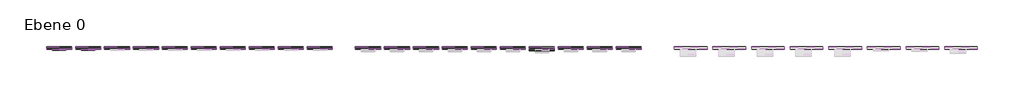
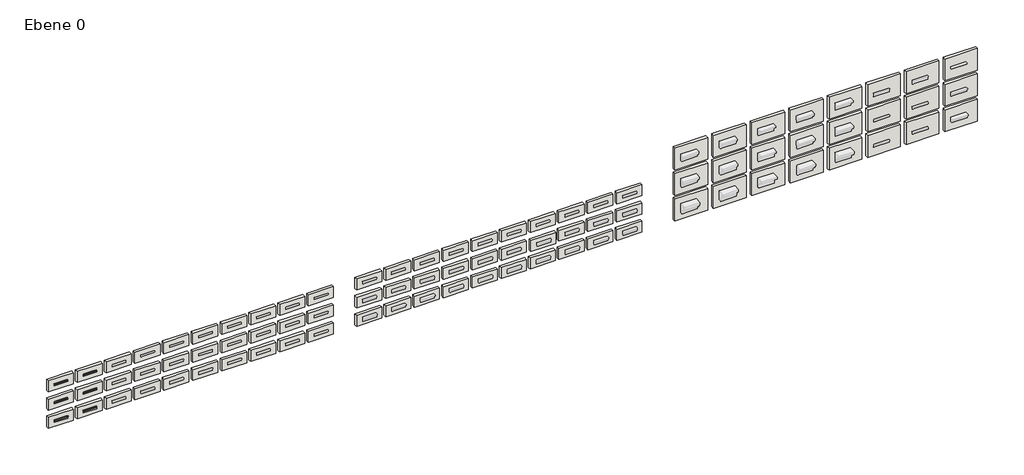
# One storey, part 1 of 3: 84 walls, 6 proxies.
"""IFC4 building model written with IfcOpenShell, lengths in millimetres."""

import ifcopenshell
import ifcopenshell.guid

model = None  # the IFC model being written
_history = None  # IfcOwnerHistory: only IFC2X3 demands one
_inside = {}  # id of a spatial element -> (the spatial element, [elements in it])
_under = {}  # id of a project, library or spatial element -> (it, [spatial elements below it])
_declared = {}  # id of a project -> (the project, [libraries it declares])
_typed = {}  # id of a type object -> (the type object, [elements of that type])
_made_of = {}  # id of a material, layer set ... -> (it, [elements and type objects made of it])


def new_model(schema):
    """Start an empty IFC model of exactly this schema.

    Asked for "IFC4X3", IfcOpenShell would pick the latest addendum, in which some entities
    have other attributes; the version numbers below select the first issue.
    IFC2X3 requires an IfcOwnerHistory on every rooted entity: one is made here for all.
    """
    global model, _history
    if schema == "IFC4X3":
        model = ifcopenshell.file(schema_version=(4, 3, 0, 0))
    else:
        model = ifcopenshell.file(schema=schema)
    _inside.clear()
    _under.clear()
    _declared.clear()
    _typed.clear()
    _made_of.clear()
    _history = None
    if model.schema == "IFC2X3":
        org = make("IfcOrganization", Name="unknown")
        user = make(
            "IfcPersonAndOrganization",
            ThePerson=make("IfcPerson", FamilyName="unknown"),
            TheOrganization=org,
        )
        app = make(
            "IfcApplication",
            ApplicationDeveloper=org,
            Version="unknown",
            ApplicationFullName="unknown",
            ApplicationIdentifier="unknown",
        )
        _history = make(
            "IfcOwnerHistory",
            OwningUser=user,
            OwningApplication=app,
            ChangeAction="ADDED",
            CreationDate=0,
        )
    return model


def make(cls, **values):
    """One entity of the class cls with the attributes given. An attribute that is None is left unset."""
    return model.create_entity(
        cls, **{name: value for name, value in values.items() if value is not None}
    )


def rooted(cls, **values):
    """An entity with a GlobalId (a new one), such as an element, a storey or a relation."""
    return make(cls, GlobalId=ifcopenshell.guid.new(), OwnerHistory=_history, **values)


def si_unit(unit_type, name, prefix=None):
    """IfcSIUnit, for example si_unit("LENGTHUNIT", "METRE", prefix="MILLI")."""
    return make("IfcSIUnit", UnitType=unit_type, Prefix=prefix, Name=name)


def assignment(units):
    """IfcUnitAssignment: the units of a project."""
    return None if units is None else make("IfcUnitAssignment", Units=units)


def point(xyz):
    """IfcCartesianPoint."""
    return None if xyz is None else make("IfcCartesianPoint", Coordinates=xyz)


def direction(xyz):
    """IfcDirection."""
    return None if xyz is None else make("IfcDirection", DirectionRatios=xyz)


def frame(location, z_axis=None, x_axis=None):
    """IfcAxis2Placement3D, a coordinate frame: its origin and axes. An axis left out is left unset."""
    return make(
        "IfcAxis2Placement3D",
        Location=point(location),
        Axis=direction(z_axis),
        RefDirection=direction(x_axis),
    )


def frame_2d(location, x_axis=None):
    """IfcAxis2Placement2D, a coordinate frame in the plane: its origin and x axis."""
    return make(
        "IfcAxis2Placement2D", Location=point(location), RefDirection=direction(x_axis)
    )


def origin():
    """The frame at (0, 0, 0) with its axes left unset."""
    return frame((0.0, 0.0, 0.0))


def place(relative_to, where):
    """IfcLocalPlacement: puts the frame where relative to a parent placement (None: the world)."""
    return make(
        "IfcLocalPlacement", PlacementRelTo=relative_to, RelativePlacement=where
    )


def context(
    kind, dimensions, precision=None, world=None, true_north=None, identifier=None
):
    """IfcGeometricRepresentationContext, for example the 3D "Model" context."""
    return make(
        "IfcGeometricRepresentationContext",
        ContextIdentifier=identifier,
        ContextType=kind,
        CoordinateSpaceDimension=dimensions,
        Precision=precision,
        WorldCoordinateSystem=world,
        TrueNorth=true_north,
    )


def project(units=None, contexts=None):
    """IfcProject with its units and contexts."""
    return rooted(
        "IfcProject",
        Name="project",
        RepresentationContexts=contexts,
        UnitsInContext=assignment(units),
    )


def spatial(cls, under=None, at=None, **own):
    """A site, building, storey or space (cls), placed at a placement, below another one or the project."""
    s = rooted(cls, ObjectPlacement=at, **own)
    if under is not None:
        _under.setdefault(under.id(), (under, []))[1].append(s)
    return s


def polyline(points):
    """IfcPolyline through the points."""
    return make("IfcPolyline", Points=[point(p) for p in points])


def circle_curve(where, radius):
    """IfcCircle in the frame where."""
    return make("IfcCircle", Position=where, Radius=radius)


def trimmed(basis, trim1, trim2, sense, master):
    """IfcTrimmedCurve: the piece of a basis curve between two trims."""
    return make(
        "IfcTrimmedCurve",
        BasisCurve=basis,
        Trim1=trim1,
        Trim2=trim2,
        SenseAgreement=sense,
        MasterRepresentation=master,
    )


def segment(curve, same_sense, transition):
    """IfcCompositeCurveSegment."""
    return make(
        "IfcCompositeCurveSegment",
        Transition=transition,
        SameSense=same_sense,
        ParentCurve=curve,
    )


def composite_curve(segments, self_intersect=None):
    """IfcCompositeCurve: segments joined end to end."""
    return make("IfcCompositeCurve", Segments=segments, SelfIntersect=self_intersect)


def outline(outer, holes=None, kind="AREA"):
    """IfcArbitraryClosedProfileDef: a profile drawn as a closed curve; with holes, ...WithVoids."""
    if holes is None:
        return make("IfcArbitraryClosedProfileDef", ProfileType=kind, OuterCurve=outer)
    return make(
        "IfcArbitraryProfileDefWithVoids",
        ProfileType=kind,
        OuterCurve=outer,
        InnerCurves=holes,
    )


def extrude(swept, where, along, depth):
    """IfcExtrudedAreaSolid: the profile swept, set in the frame where, extruded along a direction by depth."""
    return make(
        "IfcExtrudedAreaSolid",
        SweptArea=swept,
        Position=where,
        ExtrudedDirection=direction(along),
        Depth=depth,
    )


def shape(context_of_items, identifier, shape_type, items):
    """IfcShapeRepresentation: the items that make up one representation, for example the "Body"."""
    return make(
        "IfcShapeRepresentation",
        ContextOfItems=context_of_items,
        RepresentationIdentifier=identifier,
        RepresentationType=shape_type,
        Items=items,
    )


def made_of(thing, what):
    """Note that an element or type object is made of a material, layer set ...; save() writes the relation."""
    if what is not None:
        _made_of.setdefault(what.id(), (what, []))[1].append(thing)
    return thing


def element(
    cls,
    number,
    at=None,
    inside=None,
    cuts=None,
    type_object=None,
    material=None,
    context=None,
    identifier="Body",
    shape_type=None,
    held_by="IfcProductDefinitionShape",
    body=None,
    shapes=None,
    **own,
):
    """One element of the class cls, such as IfcWall. Its Tag is "e" and its number.

    at: its placement. inside: the storey or other place that contains it. cuts: it is an
    opening in that element (IfcRelVoidsElement). A single representation is given by context,
    identifier, shape_type and body (its items); several are given by shapes. held_by: the class
    of the entity that holds the representations. save() writes the other relations.
    """
    e = rooted(cls, Tag="e%d" % number, ObjectPlacement=at, **own)
    if body is not None:
        shapes = [shape(context, identifier, shape_type, body)]
    if shapes is not None:
        e.Representation = make(held_by, Representations=shapes)
    if inside is not None:
        _inside.setdefault(inside.id(), (inside, []))[1].append(e)
    if cuts is not None:
        rooted(
            "IfcRelVoidsElement", RelatingBuildingElement=cuts, RelatedOpeningElement=e
        )
    if type_object is not None:
        _typed.setdefault(type_object.id(), (type_object, []))[1].append(e)
    return made_of(e, material)


def aggregate(whole, parts):
    """IfcRelAggregates: a whole, such as a stair, and the parts it consists of."""
    return rooted("IfcRelAggregates", RelatingObject=whole, RelatedObjects=parts)


def save(model, path):
    """Write the relations noted so far, then the file.

    IfcRelAggregates (storeys below a building ...), IfcRelContainedInSpatialStructure (elements
    in a storey), IfcRelDefinesByType, IfcRelAssociatesMaterial and IfcRelDeclares: one each for
    every whole, place, type object, material and project.
    """
    for whole, parts in _under.values():
        aggregate(whole, parts)
    for where, things in _inside.values():
        rooted(
            "IfcRelContainedInSpatialStructure",
            RelatedElements=things,
            RelatingStructure=where,
        )
    for kind, things in _typed.values():
        rooted("IfcRelDefinesByType", RelatedObjects=things, RelatingType=kind)
    for what, things in _made_of.values():
        rooted("IfcRelAssociatesMaterial", RelatedObjects=things, RelatingMaterial=what)
    for by, libraries in _declared.values():
        rooted("IfcRelDeclares", RelatingContext=by, RelatedDefinitions=libraries)
    model.write(path)


model = new_model("IFC4")

# Units and contexts
model_context = context("Model", 3, world=origin())
ifc_project = project(units=[si_unit("LENGTHUNIT", "METRE", prefix="MILLI")], contexts=[model_context])

# Site, building, storey
site = spatial("IfcSite", under=ifc_project)
building = spatial("IfcBuilding", under=site)
storey = spatial("IfcBuildingStorey", under=building, Name="Ebene 0", Elevation=0.0)

# Proxies
placement = place(None, origin())
element("IfcBuildingElementProxy", 1, Name="Wall Sweeps", at=placement, inside=storey, context=model_context, shape_type="SweptSolid", body=[
    extrude(outline(composite_curve([segment(polyline([(665.4435816, 2194.9999994), (705.4435816, 2199.9999994), (705.4435816, 2100.0), (685.4435816, 2100.0), (685.4435816, 2149.9999996)]), True, "CONTINUOUS"), segment(trimmed(circle_curve(frame_2d((685.4435818, 2164.9999996)), 15.0), [point((685.4435816, 2149.9999996))], [point((670.4435818, 2164.9999996))], False, "CARTESIAN"), True, "CONTINUOUS"), segment(polyline([(670.4435818, 2164.9999996), (665.4435816, 2164.9999996), (665.4435816, 2194.9999994)]), True, "CONTINUOUS")], self_intersect=False)), frame((-24412.2665859, 0.0, 0.0), z_axis=(1.0, 0.0, 0.0), x_axis=(0.0, 1.0, 0.0)), (0.0, 0.0, 1.0), 700.0),
])
element("IfcBuildingElementProxy", 2, Name="Wall Sweeps", at=placement, inside=storey, context=model_context, shape_type="SweptSolid", body=[
    extrude(outline(composite_curve([segment(polyline([(665.4435816, 1215.0), (705.4435816, 1220.0), (705.4435816, 1100.0), (685.4435816, 1100.0), (685.4435816, 1160.0)]), True, "CONTINUOUS"), segment(trimmed(circle_curve(frame_2d((685.4435816, 1175.0)), 15.0), [point((685.4435816, 1160.0))], [point((670.4435816, 1175.0))], False, "CARTESIAN"), True, "CONTINUOUS"), segment(polyline([(670.4435816, 1175.0), (665.4435816, 1175.0), (665.4435816, 1215.0)]), True, "CONTINUOUS")], self_intersect=False)), frame((-24412.2665859, 0.0, 0.0), z_axis=(1.0, 0.0, 0.0), x_axis=(0.0, 1.0, 0.0)), (0.0, 0.0, 1.0), 700.0),
])
element("IfcBuildingElementProxy", 3, Name="Wall Sweeps", at=placement, inside=storey, context=model_context, shape_type="SweptSolid", body=[
    extrude(outline(composite_curve([segment(polyline([(655.4435816, 170.0), (655.4435816, 215.0), (705.4435816, 220.0), (705.4435816, 80.0), (680.4435816, 80.0), (680.4435816, 150.0)]), True, "CONTINUOUS"), segment(trimmed(circle_curve(frame_2d((680.4435816, 170.0)), 20.0), [point((680.4435816, 150.0))], [point((660.4435816, 170.0))], False, "CARTESIAN"), True, "CONTINUOUS"), segment(polyline([(660.4435816, 170.0), (655.4435816, 170.0)]), True, "CONTINUOUS")], self_intersect=False)), frame((-24412.2665859, 0.0, 0.0), z_axis=(1.0, 0.0, 0.0), x_axis=(0.0, 1.0, 0.0)), (0.0, 0.0, 1.0), 700.0),
])
element("IfcBuildingElementProxy", 4, Name="Wall Sweeps", at=placement, inside=storey, context=model_context, shape_type="SweptSolid", body=[
    extrude(outline(composite_curve([segment(polyline([(705.4435816, 2200.0), (705.4435816, 2100.0), (685.4435816, 2100.0), (685.4435816, 2140.0)]), True, "CONTINUOUS"), segment(trimmed(circle_curve(frame_2d((675.4435816, 2140.0)), 10.0), [point((685.4435816, 2140.0))], [point((675.4435816, 2150.0))], True, "CARTESIAN"), True, "CONTINUOUS"), segment(polyline([(675.4435816, 2150.0), (675.4435816, 2160.0)]), True, "CONTINUOUS"), segment(trimmed(circle_curve(frame_2d((675.4435816, 2170.0)), 10.0), [point((675.4435816, 2160.0))], [point((665.4435816, 2170.0))], False, "CARTESIAN"), True, "CONTINUOUS"), segment(polyline([(665.4435816, 2170.0), (665.4435816, 2195.0), (705.4435816, 2200.0)]), True, "CONTINUOUS")], self_intersect=False)), frame((-22912.2665859, 0.0, 0.0), z_axis=(1.0, 0.0, 0.0), x_axis=(0.0, 1.0, 0.0)), (0.0, 0.0, 1.0), 700.0),
])
element("IfcBuildingElementProxy", 5, Name="Wall Sweeps", at=placement, inside=storey, context=model_context, shape_type="SweptSolid", body=[
    extrude(outline(composite_curve([segment(polyline([(705.4435816, 1220.0), (705.4435816, 1100.0), (685.4435816, 1100.0), (685.4435816, 1150.0)]), True, "CONTINUOUS"), segment(trimmed(circle_curve(frame_2d((675.4435816, 1150.0)), 10.0), [point((685.4435816, 1150.0))], [point((675.4435816, 1160.0))], True, "CARTESIAN"), True, "CONTINUOUS"), segment(polyline([(675.4435816, 1160.0), (675.4435816, 1175.0)]), True, "CONTINUOUS"), segment(trimmed(circle_curve(frame_2d((675.4435816, 1185.0)), 10.0), [point((675.4435816, 1175.0))], [point((665.4435816, 1185.0))], False, "CARTESIAN"), True, "CONTINUOUS"), segment(polyline([(665.4435816, 1185.0), (665.4435816, 1215.0), (705.4435816, 1220.0)]), True, "CONTINUOUS")], self_intersect=False)), frame((-22912.2665859, 0.0, 0.0), z_axis=(1.0, 0.0, 0.0), x_axis=(0.0, 1.0, 0.0)), (0.0, 0.0, 1.0), 700.0),
])
element("IfcBuildingElementProxy", 6, Name="Wall Sweeps", at=placement, inside=storey, context=model_context, shape_type="SweptSolid", body=[
    extrude(outline(composite_curve([segment(polyline([(655.4435816, 215.0), (705.4435816, 220.0), (705.4435816, 80.0), (675.4435816, 80.0), (675.4435816, 145.0)]), True, "CONTINUOUS"), segment(trimmed(circle_curve(frame_2d((665.4435816, 145.0)), 10.0), [point((675.4435816, 145.0))], [point((665.4435816, 155.0))], True, "CARTESIAN"), True, "CONTINUOUS"), segment(polyline([(665.4435816, 155.0), (665.4435816, 170.0)]), True, "CONTINUOUS"), segment(trimmed(circle_curve(frame_2d((665.4435816, 180.0)), 10.0), [point((665.4435816, 170.0))], [point((655.4435816, 180.0))], False, "CARTESIAN"), True, "CONTINUOUS"), segment(polyline([(655.4435816, 180.0), (655.4435816, 215.0)]), True, "CONTINUOUS")], self_intersect=False)), frame((-22912.2665859, 0.0, 0.0), z_axis=(1.0, 0.0, 0.0), x_axis=(0.0, 1.0, 0.0)), (0.0, 0.0, 1.0), 700.0),
])

# Walls
element("IfcWall", 7, at=placement, inside=storey, context=model_context, shape_type="SweptSolid", body=[
    extrude(outline(polyline([(-23412.2665859, 705.4435816), (-24712.2665859, 705.4435816), (-24712.2665859, 855.4435816), (-23412.2665859, 855.4435816), (-23412.2665859, 705.4435816)])), frame((0.0, 0.0, 848.8266332), z_axis=(0.0, 0.0, 1.0), x_axis=(1.0, 0.0, 0.0)), (0.0, 0.0, 1.0), 600.0),
])
element("IfcWall", 8, at=placement, inside=storey, context=model_context, shape_type="SweptSolid", body=[
    extrude(outline(polyline([(-23412.2665859, 705.4435816), (-24712.2665859, 705.4435816), (-24712.2665859, 855.4435816), (-23412.2665859, 855.4435816), (-23412.2665859, 705.4435816)])), frame((0.0, 0.0, 1848.8273617), z_axis=(0.0, 0.0, 1.0), x_axis=(1.0, 0.0, 0.0)), (0.0, 0.0, 1.0), 599.9992715),
])
element("IfcWall", 9, at=placement, inside=storey, context=model_context, shape_type="SweptSolid", body=[
    extrude(outline(polyline([(-21912.2665859, 705.4435816), (-23212.2665859, 705.4435816), (-23212.2665859, 855.4435816), (-21912.2665859, 855.4435816), (-21912.2665859, 705.4435816)])), frame((0.0, 0.0, -151.1733668), z_axis=(0.0, 0.0, 1.0), x_axis=(1.0, 0.0, 0.0)), (0.0, 0.0, 1.0), 600.0),
])
element("IfcWall", 10, at=placement, inside=storey, context=model_context, shape_type="SweptSolid", body=[
    extrude(outline(polyline([(-21912.2665859, 705.4435816), (-23212.2665859, 705.4435816), (-23212.2665859, 855.4435816), (-21912.2665859, 855.4435816), (-21912.2665859, 705.4435816)])), frame((0.0, 0.0, 848.8266332), z_axis=(0.0, 0.0, 1.0), x_axis=(1.0, 0.0, 0.0)), (0.0, 0.0, 1.0), 600.0),
])
element("IfcWall", 11, at=placement, inside=storey, context=model_context, shape_type="SweptSolid", body=[
    extrude(outline(polyline([(-21912.2665859, 705.4435816), (-23212.2665859, 705.4435816), (-23212.2665859, 855.4435816), (-21912.2665859, 855.4435816), (-21912.2665859, 705.4435816)])), frame((0.0, 0.0, 1848.8266332), z_axis=(0.0, 0.0, 1.0), x_axis=(1.0, 0.0, 0.0)), (0.0, 0.0, 1.0), 600.0),
])
element("IfcWall", 12, at=placement, inside=storey, context=model_context, shape_type="SweptSolid", body=[
    extrude(outline(polyline([(-20412.2665859, 705.4435816), (-21712.2665859, 705.4435816), (-21712.2665859, 855.4435816), (-20412.2665859, 855.4435816), (-20412.2665859, 705.4435816)])), frame((0.0, 0.0, -151.1733668), z_axis=(0.0, 0.0, 1.0), x_axis=(1.0, 0.0, 0.0)), (0.0, 0.0, 1.0), 600.0),
])
element("IfcWall", 13, at=placement, inside=storey, context=model_context, shape_type="SweptSolid", body=[
    extrude(outline(polyline([(-20412.2665859, 705.4435816), (-21712.2665859, 705.4435816), (-21712.2665859, 855.4435816), (-20412.2665859, 855.4435816), (-20412.2665859, 705.4435816)])), frame((0.0, 0.0, 848.8266332), z_axis=(0.0, 0.0, 1.0), x_axis=(1.0, 0.0, 0.0)), (0.0, 0.0, 1.0), 600.0),
])
element("IfcWall", 14, at=placement, inside=storey, context=model_context, shape_type="SweptSolid", body=[
    extrude(outline(polyline([(-20412.2665859, 705.4435816), (-21712.2665859, 705.4435816), (-21712.2665859, 855.4435816), (-20412.2665859, 855.4435816), (-20412.2665859, 705.4435816)])), frame((0.0, 0.0, 1848.8266332), z_axis=(0.0, 0.0, 1.0), x_axis=(1.0, 0.0, 0.0)), (0.0, 0.0, 1.0), 600.0),
])
element("IfcWall", 15, at=placement, inside=storey, context=model_context, shape_type="SweptSolid", body=[
    extrude(outline(polyline([(-18912.2665859, 705.4435816), (-20212.2665859, 705.4435816), (-20212.2665859, 855.4435816), (-18912.2665859, 855.4435816), (-18912.2665859, 705.4435816)])), frame((0.0, 0.0, -151.1733668), z_axis=(0.0, 0.0, 1.0), x_axis=(1.0, 0.0, 0.0)), (0.0, 0.0, 1.0), 600.0),
])
element("IfcWall", 16, at=placement, inside=storey, context=model_context, shape_type="SweptSolid", body=[
    extrude(outline(polyline([(-18912.2665859, 705.4435816), (-20212.2665859, 705.4435816), (-20212.2665859, 855.4435816), (-18912.2665859, 855.4435816), (-18912.2665859, 705.4435816)])), frame((0.0, 0.0, 848.8266332), z_axis=(0.0, 0.0, 1.0), x_axis=(1.0, 0.0, 0.0)), (0.0, 0.0, 1.0), 600.0),
])
element("IfcWall", 17, at=placement, inside=storey, context=model_context, shape_type="SweptSolid", body=[
    extrude(outline(polyline([(-18912.2665859, 705.4435816), (-20212.2665859, 705.4435816), (-20212.2665859, 855.4435816), (-18912.2665859, 855.4435816), (-18912.2665859, 705.4435816)])), frame((0.0, 0.0, 1848.8266332), z_axis=(0.0, 0.0, 1.0), x_axis=(1.0, 0.0, 0.0)), (0.0, 0.0, 1.0), 600.0),
])
element("IfcWall", 18, at=placement, inside=storey, context=model_context, shape_type="SweptSolid", body=[
    extrude(outline(polyline([(-17412.2665859, 705.4435816), (-18712.2665859, 705.4435816), (-18712.2665859, 855.4435816), (-17412.2665859, 855.4435816), (-17412.2665859, 705.4435816)])), frame((0.0, 0.0, -151.1733668), z_axis=(0.0, 0.0, 1.0), x_axis=(1.0, 0.0, 0.0)), (0.0, 0.0, 1.0), 600.0),
])
element("IfcWall", 19, at=placement, inside=storey, context=model_context, shape_type="SweptSolid", body=[
    extrude(outline(polyline([(-17412.2665859, 705.4435816), (-18712.2665859, 705.4435816), (-18712.2665859, 855.4435816), (-17412.2665859, 855.4435816), (-17412.2665859, 705.4435816)])), frame((0.0, 0.0, 848.8266332), z_axis=(0.0, 0.0, 1.0), x_axis=(1.0, 0.0, 0.0)), (0.0, 0.0, 1.0), 600.0),
])
element("IfcWall", 20, at=placement, inside=storey, context=model_context, shape_type="SweptSolid", body=[
    extrude(outline(polyline([(-17412.2665859, 705.4435816), (-18712.2665859, 705.4435816), (-18712.2665859, 855.4435816), (-17412.2665859, 855.4435816), (-17412.2665859, 705.4435816)])), frame((0.0, 0.0, 1848.8266332), z_axis=(0.0, 0.0, 1.0), x_axis=(1.0, 0.0, 0.0)), (0.0, 0.0, 1.0), 600.0),
])
element("IfcWall", 21, at=placement, inside=storey, context=model_context, shape_type="SweptSolid", body=[
    extrude(outline(polyline([(-15912.2665859, 705.4435816), (-17212.2665859, 705.4435816), (-17212.2665859, 855.4435816), (-15912.2665859, 855.4435816), (-15912.2665859, 705.4435816)])), frame((0.0, 0.0, -151.1733668), z_axis=(0.0, 0.0, 1.0), x_axis=(1.0, 0.0, 0.0)), (0.0, 0.0, 1.0), 600.0),
])
element("IfcWall", 22, at=placement, inside=storey, context=model_context, shape_type="SweptSolid", body=[
    extrude(outline(polyline([(-15912.2665859, 705.4435816), (-17212.2665859, 705.4435816), (-17212.2665859, 855.4435816), (-15912.2665859, 855.4435816), (-15912.2665859, 705.4435816)])), frame((0.0, 0.0, 848.8266332), z_axis=(0.0, 0.0, 1.0), x_axis=(1.0, 0.0, 0.0)), (0.0, 0.0, 1.0), 600.0),
])
element("IfcWall", 23, at=placement, inside=storey, context=model_context, shape_type="SweptSolid", body=[
    extrude(outline(polyline([(-15912.2665859, 705.4435816), (-17212.2665859, 705.4435816), (-17212.2665859, 855.4435816), (-15912.2665859, 855.4435816), (-15912.2665859, 705.4435816)])), frame((0.0, 0.0, 1848.8266332), z_axis=(0.0, 0.0, 1.0), x_axis=(1.0, 0.0, 0.0)), (0.0, 0.0, 1.0), 600.0),
])
element("IfcWall", 24, at=placement, inside=storey, context=model_context, shape_type="SweptSolid", body=[
    extrude(outline(polyline([(-14412.2665859, 705.4435816), (-15712.2665859, 705.4435816), (-15712.2665859, 855.4435816), (-14412.2665859, 855.4435816), (-14412.2665859, 705.4435816)])), frame((0.0, 0.0, -151.1733668), z_axis=(0.0, 0.0, 1.0), x_axis=(1.0, 0.0, 0.0)), (0.0, 0.0, 1.0), 600.0),
])
element("IfcWall", 25, at=placement, inside=storey, context=model_context, shape_type="SweptSolid", body=[
    extrude(outline(polyline([(-14412.2665859, 705.4435816), (-15712.2665859, 705.4435816), (-15712.2665859, 855.4435816), (-14412.2665859, 855.4435816), (-14412.2665859, 705.4435816)])), frame((0.0, 0.0, 848.8266332), z_axis=(0.0, 0.0, 1.0), x_axis=(1.0, 0.0, 0.0)), (0.0, 0.0, 1.0), 600.0),
])
element("IfcWall", 26, at=placement, inside=storey, context=model_context, shape_type="SweptSolid", body=[
    extrude(outline(polyline([(-14412.2665859, 705.4435816), (-15712.2665859, 705.4435816), (-15712.2665859, 855.4435816), (-14412.2665859, 855.4435816), (-14412.2665859, 705.4435816)])), frame((0.0, 0.0, 1848.8266332), z_axis=(0.0, 0.0, 1.0), x_axis=(1.0, 0.0, 0.0)), (0.0, 0.0, 1.0), 600.0),
])
element("IfcWall", 27, at=placement, inside=storey, context=model_context, shape_type="SweptSolid", body=[
    extrude(outline(polyline([(-12912.2665859, 705.4435816), (-14212.2665859, 705.4435816), (-14212.2665859, 855.4435816), (-12912.2665859, 855.4435816), (-12912.2665859, 705.4435816)])), frame((0.0, 0.0, -151.1733668), z_axis=(0.0, 0.0, 1.0), x_axis=(1.0, 0.0, 0.0)), (0.0, 0.0, 1.0), 600.0),
])
element("IfcWall", 28, at=placement, inside=storey, context=model_context, shape_type="SweptSolid", body=[
    extrude(outline(polyline([(-12912.2665859, 705.4435816), (-14212.2665859, 705.4435816), (-14212.2665859, 855.4435816), (-12912.2665859, 855.4435816), (-12912.2665859, 705.4435816)])), frame((0.0, 0.0, 848.8266332), z_axis=(0.0, 0.0, 1.0), x_axis=(1.0, 0.0, 0.0)), (0.0, 0.0, 1.0), 600.0),
])
element("IfcWall", 29, at=placement, inside=storey, context=model_context, shape_type="SweptSolid", body=[
    extrude(outline(polyline([(-12912.2665859, 705.4435816), (-14212.2665859, 705.4435816), (-14212.2665859, 855.4435816), (-12912.2665859, 855.4435816), (-12912.2665859, 705.4435816)])), frame((0.0, 0.0, 1848.8266332), z_axis=(0.0, 0.0, 1.0), x_axis=(1.0, 0.0, 0.0)), (0.0, 0.0, 1.0), 600.0),
])
element("IfcWall", 30, at=placement, inside=storey, context=model_context, shape_type="SweptSolid", body=[
    extrude(outline(polyline([(-11412.2665859, 705.4435816), (-12712.2665859, 705.4435816), (-12712.2665859, 855.4435816), (-11412.2665859, 855.4435816), (-11412.2665859, 705.4435816)])), frame((0.0, 0.0, -151.1733668), z_axis=(0.0, 0.0, 1.0), x_axis=(1.0, 0.0, 0.0)), (0.0, 0.0, 1.0), 600.0),
])
element("IfcWall", 31, at=placement, inside=storey, context=model_context, shape_type="SweptSolid", body=[
    extrude(outline(polyline([(-11412.2665859, 705.4435816), (-12712.2665859, 705.4435816), (-12712.2665859, 855.4435816), (-11412.2665859, 855.4435816), (-11412.2665859, 705.4435816)])), frame((0.0, 0.0, 848.8266332), z_axis=(0.0, 0.0, 1.0), x_axis=(1.0, 0.0, 0.0)), (0.0, 0.0, 1.0), 600.0),
])
element("IfcWall", 32, at=placement, inside=storey, context=model_context, shape_type="SweptSolid", body=[
    extrude(outline(polyline([(-11412.2665859, 705.4435816), (-12712.2665859, 705.4435816), (-12712.2665859, 855.4435816), (-11412.2665859, 855.4435816), (-11412.2665859, 705.4435816)])), frame((0.0, 0.0, 1848.8266332), z_axis=(0.0, 0.0, 1.0), x_axis=(1.0, 0.0, 0.0)), (0.0, 0.0, 1.0), 600.0),
])
element("IfcWall", 33, at=placement, inside=storey, context=model_context, shape_type="SweptSolid", body=[
    extrude(outline(polyline([(-9912.2665859, 705.4435816), (-11212.2665859, 705.4435816), (-11212.2665859, 855.4435816), (-9912.2665859, 855.4435816), (-9912.2665859, 705.4435816)])), frame((0.0, 0.0, -151.1733668), z_axis=(0.0, 0.0, 1.0), x_axis=(1.0, 0.0, 0.0)), (0.0, 0.0, 1.0), 600.0),
])
element("IfcWall", 34, at=placement, inside=storey, context=model_context, shape_type="SweptSolid", body=[
    extrude(outline(polyline([(-9912.2665859, 705.4435816), (-11212.2665859, 705.4435816), (-11212.2665859, 855.4435816), (-9912.2665859, 855.4435816), (-9912.2665859, 705.4435816)])), frame((0.0, 0.0, 848.8266332), z_axis=(0.0, 0.0, 1.0), x_axis=(1.0, 0.0, 0.0)), (0.0, 0.0, 1.0), 600.0),
])
element("IfcWall", 35, at=placement, inside=storey, context=model_context, shape_type="SweptSolid", body=[
    extrude(outline(polyline([(-9912.2665859, 705.4435816), (-11212.2665859, 705.4435816), (-11212.2665859, 855.4435816), (-9912.2665859, 855.4435816), (-9912.2665859, 705.4435816)])), frame((0.0, 0.0, 1848.8266332), z_axis=(0.0, 0.0, 1.0), x_axis=(1.0, 0.0, 0.0)), (0.0, 0.0, 1.0), 600.0),
])
element("IfcWall", 36, at=placement, inside=storey, context=model_context, shape_type="SweptSolid", body=[
    extrude(outline(polyline([(-23412.2665859, 705.4435816), (-24712.2665859, 705.4435816), (-24712.2665859, 855.4435816), (-23412.2665859, 855.4435816), (-23412.2665859, 705.4435816)])), frame((0.0, 0.0, -151.1733668), z_axis=(0.0, 0.0, 1.0), x_axis=(1.0, 0.0, 0.0)), (0.0, 0.0, 1.0), 600.0),
])
element("IfcWall", 37, at=placement, inside=storey, context=model_context, shape_type="SweptSolid", body=[
    extrude(outline(polyline([(-7412.2665859, 705.4435816), (-8712.2665859, 705.4435816), (-8712.2665859, 855.4435816), (-7412.2665859, 855.4435816), (-7412.2665859, 705.4435816)])), frame((0.0, 0.0, 1848.8266332), z_axis=(0.0, 0.0, 1.0), x_axis=(1.0, 0.0, 0.0)), (0.0, 0.0, 1.0), 600.0),
])
element("IfcWall", 38, at=placement, inside=storey, context=model_context, shape_type="SweptSolid", body=[
    extrude(outline(polyline([(-5912.2665859, 705.4435816), (-7212.2665859, 705.4435816), (-7212.2665859, 855.4435816), (-5912.2665859, 855.4435816), (-5912.2665859, 705.4435816)])), frame((0.0, 0.0, 1848.8266332), z_axis=(0.0, 0.0, 1.0), x_axis=(1.0, 0.0, 0.0)), (0.0, 0.0, 1.0), 600.0),
])
element("IfcWall", 39, at=placement, inside=storey, context=model_context, shape_type="SweptSolid", body=[
    extrude(outline(polyline([(-4412.2665859, 705.4435816), (-5712.2665859, 705.4435816), (-5712.2665859, 855.4435816), (-4412.2665859, 855.4435816), (-4412.2665859, 705.4435816)])), frame((0.0, 0.0, 1848.8266332), z_axis=(0.0, 0.0, 1.0), x_axis=(1.0, 0.0, 0.0)), (0.0, 0.0, 1.0), 600.0),
])
element("IfcWall", 40, at=placement, inside=storey, context=model_context, shape_type="SweptSolid", body=[
    extrude(outline(polyline([(-2912.2665859, 705.4435816), (-4212.2665859, 705.4435816), (-4212.2665859, 855.4435816), (-2912.2665859, 855.4435816), (-2912.2665859, 705.4435816)])), frame((0.0, 0.0, 1848.8266332), z_axis=(0.0, 0.0, 1.0), x_axis=(1.0, 0.0, 0.0)), (0.0, 0.0, 1.0), 600.0),
])
element("IfcWall", 41, at=placement, inside=storey, context=model_context, shape_type="SweptSolid", body=[
    extrude(outline(polyline([(-1412.2665859, 705.4435816), (-2712.2665859, 705.4435816), (-2712.2665859, 855.4435816), (-1412.2665859, 855.4435816), (-1412.2665859, 705.4435816)])), frame((0.0, 0.0, 1848.8266332), z_axis=(0.0, 0.0, 1.0), x_axis=(1.0, 0.0, 0.0)), (0.0, 0.0, 1.0), 600.0),
])
element("IfcWall", 42, at=placement, inside=storey, context=model_context, shape_type="SweptSolid", body=[
    extrude(outline(polyline([(87.7334141, 705.4435816), (-1212.2665859, 705.4435816), (-1212.2665859, 855.4435816), (87.7334141, 855.4435816), (87.7334141, 705.4435816)])), frame((0.0, 0.0, 1848.8266332), z_axis=(0.0, 0.0, 1.0), x_axis=(1.0, 0.0, 0.0)), (0.0, 0.0, 1.0), 600.0),
])
element("IfcWall", 43, at=placement, inside=storey, context=model_context, shape_type="SweptSolid", body=[
    extrude(outline(polyline([(1587.7334141, 705.4435816), (287.7334141, 705.4435816), (287.7334141, 855.4435816), (1587.7334141, 855.4435816), (1587.7334141, 705.4435816)])), frame((0.0, 0.0, 1848.8266332), z_axis=(0.0, 0.0, 1.0), x_axis=(1.0, 0.0, 0.0)), (0.0, 0.0, 1.0), 600.0),
])
element("IfcWall", 44, at=placement, inside=storey, context=model_context, shape_type="SweptSolid", body=[
    extrude(outline(polyline([(3087.7334141, 705.4435816), (1787.7334141, 705.4435816), (1787.7334141, 855.4435816), (3087.7334141, 855.4435816), (3087.7334141, 705.4435816)])), frame((0.0, 0.0, 1848.8266332), z_axis=(0.0, 0.0, 1.0), x_axis=(1.0, 0.0, 0.0)), (0.0, 0.0, 1.0), 600.0),
])
element("IfcWall", 45, at=placement, inside=storey, context=model_context, shape_type="SweptSolid", body=[
    extrude(outline(polyline([(4587.7334141, 705.4435816), (3287.7334141, 705.4435816), (3287.7334141, 855.4435816), (4587.7334141, 855.4435816), (4587.7334141, 705.4435816)])), frame((0.0, 0.0, 1848.8266332), z_axis=(0.0, 0.0, 1.0), x_axis=(1.0, 0.0, 0.0)), (0.0, 0.0, 1.0), 600.0),
])
element("IfcWall", 46, at=placement, inside=storey, context=model_context, shape_type="SweptSolid", body=[
    extrude(outline(polyline([(6087.7334141, 705.4435816), (4787.7334141, 705.4435816), (4787.7334141, 855.4435816), (6087.7334141, 855.4435816), (6087.7334141, 705.4435816)])), frame((0.0, 0.0, 1848.8266332), z_axis=(0.0, 0.0, 1.0), x_axis=(1.0, 0.0, 0.0)), (0.0, 0.0, 1.0), 600.0),
])
element("IfcWall", 47, at=placement, inside=storey, context=model_context, shape_type="SweptSolid", body=[
    extrude(outline(polyline([(-7412.2665859, 705.4435816), (-8712.2665859, 705.4435816), (-8712.2665859, 855.4435816), (-7412.2665859, 855.4435816), (-7412.2665859, 705.4435816)])), frame((0.0, 0.0, 848.8266332), z_axis=(0.0, 0.0, 1.0), x_axis=(1.0, 0.0, 0.0)), (0.0, 0.0, 1.0), 600.0),
])
element("IfcWall", 48, at=placement, inside=storey, context=model_context, shape_type="SweptSolid", body=[
    extrude(outline(polyline([(-5912.2665859, 705.4435816), (-7212.2665859, 705.4435816), (-7212.2665859, 855.4435816), (-5912.2665859, 855.4435816), (-5912.2665859, 705.4435816)])), frame((0.0, 0.0, 848.8266332), z_axis=(0.0, 0.0, 1.0), x_axis=(1.0, 0.0, 0.0)), (0.0, 0.0, 1.0), 600.0),
])
element("IfcWall", 49, at=placement, inside=storey, context=model_context, shape_type="SweptSolid", body=[
    extrude(outline(polyline([(-4412.2665859, 705.4435816), (-5712.2665859, 705.4435816), (-5712.2665859, 855.4435816), (-4412.2665859, 855.4435816), (-4412.2665859, 705.4435816)])), frame((0.0, 0.0, 848.8266332), z_axis=(0.0, 0.0, 1.0), x_axis=(1.0, 0.0, 0.0)), (0.0, 0.0, 1.0), 600.0),
])
element("IfcWall", 50, at=placement, inside=storey, context=model_context, shape_type="SweptSolid", body=[
    extrude(outline(polyline([(-2912.2665859, 705.4435816), (-4212.2665859, 705.4435816), (-4212.2665859, 855.4435816), (-2912.2665859, 855.4435816), (-2912.2665859, 705.4435816)])), frame((0.0, 0.0, 848.8266332), z_axis=(0.0, 0.0, 1.0), x_axis=(1.0, 0.0, 0.0)), (0.0, 0.0, 1.0), 600.0),
])
element("IfcWall", 51, at=placement, inside=storey, context=model_context, shape_type="SweptSolid", body=[
    extrude(outline(polyline([(-1412.2665859, 705.4435816), (-2712.2665859, 705.4435816), (-2712.2665859, 855.4435816), (-1412.2665859, 855.4435816), (-1412.2665859, 705.4435816)])), frame((0.0, 0.0, 848.8266332), z_axis=(0.0, 0.0, 1.0), x_axis=(1.0, 0.0, 0.0)), (0.0, 0.0, 1.0), 600.0),
])
element("IfcWall", 52, at=placement, inside=storey, context=model_context, shape_type="SweptSolid", body=[
    extrude(outline(polyline([(87.7334141, 705.4435816), (-1212.2665859, 705.4435816), (-1212.2665859, 855.4435816), (87.7334141, 855.4435816), (87.7334141, 705.4435816)])), frame((0.0, 0.0, 848.8266332), z_axis=(0.0, 0.0, 1.0), x_axis=(1.0, 0.0, 0.0)), (0.0, 0.0, 1.0), 600.0),
])
element("IfcWall", 53, at=placement, inside=storey, context=model_context, shape_type="SweptSolid", body=[
    extrude(outline(polyline([(1587.7334141, 630.4435816), (287.7334141, 630.4435816), (287.7334141, 780.4435816), (1587.7334141, 780.4435816), (1587.7334141, 630.4435816)])), frame((0.0, 0.0, 848.8266332), z_axis=(0.0, 0.0, 1.0), x_axis=(1.0, 0.0, 0.0)), (0.0, 0.0, 1.0), 600.0),
])
element("IfcWall", 54, at=placement, inside=storey, context=model_context, shape_type="SweptSolid", body=[
    extrude(outline(polyline([(3087.7334141, 705.4435816), (1787.7334141, 705.4435816), (1787.7334141, 855.4435816), (3087.7334141, 855.4435816), (3087.7334141, 705.4435816)])), frame((0.0, 0.0, 848.8266332), z_axis=(0.0, 0.0, 1.0), x_axis=(1.0, 0.0, 0.0)), (0.0, 0.0, 1.0), 600.0),
])
element("IfcWall", 55, at=placement, inside=storey, context=model_context, shape_type="SweptSolid", body=[
    extrude(outline(polyline([(4587.7334141, 705.4435816), (3287.7334141, 705.4435816), (3287.7334141, 855.4435816), (4587.7334141, 855.4435816), (4587.7334141, 705.4435816)])), frame((0.0, 0.0, 848.8266332), z_axis=(0.0, 0.0, 1.0), x_axis=(1.0, 0.0, 0.0)), (0.0, 0.0, 1.0), 600.0),
])
element("IfcWall", 56, at=placement, inside=storey, context=model_context, shape_type="SweptSolid", body=[
    extrude(outline(polyline([(6087.7334141, 705.4435816), (4787.7334141, 705.4435816), (4787.7334141, 855.4435816), (6087.7334141, 855.4435816), (6087.7334141, 705.4435816)])), frame((0.0, 0.0, 848.8266332), z_axis=(0.0, 0.0, 1.0), x_axis=(1.0, 0.0, 0.0)), (0.0, 0.0, 1.0), 600.0),
])
element("IfcWall", 57, at=placement, inside=storey, context=model_context, shape_type="SweptSolid", body=[
    extrude(outline(polyline([(-7412.2665859, 705.4435816), (-8712.2665859, 705.4435816), (-8712.2665859, 855.4435816), (-7412.2665859, 855.4435816), (-7412.2665859, 705.4435816)])), frame((0.0, 0.0, -151.1733668), z_axis=(0.0, 0.0, 1.0), x_axis=(1.0, 0.0, 0.0)), (0.0, 0.0, 1.0), 600.0),
])
element("IfcWall", 58, at=placement, inside=storey, context=model_context, shape_type="SweptSolid", body=[
    extrude(outline(polyline([(-5912.2665859, 705.4435816), (-7212.2665859, 705.4435816), (-7212.2665859, 855.4435816), (-5912.2665859, 855.4435816), (-5912.2665859, 705.4435816)])), frame((0.0, 0.0, -151.1733668), z_axis=(0.0, 0.0, 1.0), x_axis=(1.0, 0.0, 0.0)), (0.0, 0.0, 1.0), 600.0),
])
element("IfcWall", 59, at=placement, inside=storey, context=model_context, shape_type="SweptSolid", body=[
    extrude(outline(polyline([(-4412.2665859, 705.4435816), (-5712.2665859, 705.4435816), (-5712.2665859, 855.4435816), (-4412.2665859, 855.4435816), (-4412.2665859, 705.4435816)])), frame((0.0, 0.0, -151.1733668), z_axis=(0.0, 0.0, 1.0), x_axis=(1.0, 0.0, 0.0)), (0.0, 0.0, 1.0), 600.0),
])
element("IfcWall", 60, at=placement, inside=storey, context=model_context, shape_type="SweptSolid", body=[
    extrude(outline(polyline([(-2912.2665859, 705.4435816), (-4212.2665859, 705.4435816), (-4212.2665859, 855.4435816), (-2912.2665859, 855.4435816), (-2912.2665859, 705.4435816)])), frame((0.0, 0.0, -151.1733668), z_axis=(0.0, 0.0, 1.0), x_axis=(1.0, 0.0, 0.0)), (0.0, 0.0, 1.0), 600.0),
])
element("IfcWall", 61, at=placement, inside=storey, context=model_context, shape_type="SweptSolid", body=[
    extrude(outline(polyline([(-1412.2665859, 705.4435816), (-2712.2665859, 705.4435816), (-2712.2665859, 855.4435816), (-1412.2665859, 855.4435816), (-1412.2665859, 705.4435816)])), frame((0.0, 0.0, -151.1733668), z_axis=(0.0, 0.0, 1.0), x_axis=(1.0, 0.0, 0.0)), (0.0, 0.0, 1.0), 600.0),
])
element("IfcWall", 62, at=placement, inside=storey, context=model_context, shape_type="SweptSolid", body=[
    extrude(outline(polyline([(87.7334141, 705.4435816), (-1212.2665859, 705.4435816), (-1212.2665859, 855.4435816), (87.7334141, 855.4435816), (87.7334141, 705.4435816)])), frame((0.0, 0.0, -151.1733668), z_axis=(0.0, 0.0, 1.0), x_axis=(1.0, 0.0, 0.0)), (0.0, 0.0, 1.0), 600.0),
])
element("IfcWall", 63, at=placement, inside=storey, context=model_context, shape_type="SweptSolid", body=[
    extrude(outline(polyline([(1587.7334141, 705.4435816), (287.7334141, 705.4435816), (287.7334141, 855.4435816), (1587.7334141, 855.4435816), (1587.7334141, 705.4435816)])), frame((0.0, 0.0, -151.1733668), z_axis=(0.0, 0.0, 1.0), x_axis=(1.0, 0.0, 0.0)), (0.0, 0.0, 1.0), 600.0),
])
element("IfcWall", 64, at=placement, inside=storey, context=model_context, shape_type="SweptSolid", body=[
    extrude(outline(polyline([(3087.7334141, 705.4435816), (1787.7334141, 705.4435816), (1787.7334141, 855.4435816), (3087.7334141, 855.4435816), (3087.7334141, 705.4435816)])), frame((0.0, 0.0, -151.1733668), z_axis=(0.0, 0.0, 1.0), x_axis=(1.0, 0.0, 0.0)), (0.0, 0.0, 1.0), 600.0),
])
element("IfcWall", 65, at=placement, inside=storey, context=model_context, shape_type="SweptSolid", body=[
    extrude(outline(polyline([(4587.7334141, 705.4435816), (3287.7334141, 705.4435816), (3287.7334141, 855.4435816), (4587.7334141, 855.4435816), (4587.7334141, 705.4435816)])), frame((0.0, 0.0, -151.1733668), z_axis=(0.0, 0.0, 1.0), x_axis=(1.0, 0.0, 0.0)), (0.0, 0.0, 1.0), 600.0),
])
element("IfcWall", 66, at=placement, inside=storey, context=model_context, shape_type="SweptSolid", body=[
    extrude(outline(polyline([(6087.7334141, 705.4435816), (4787.7334141, 705.4435816), (4787.7334141, 855.4435816), (6087.7334141, 855.4435816), (6087.7334141, 705.4435816)])), frame((0.0, 0.0, -151.1733668), z_axis=(0.0, 0.0, 1.0), x_axis=(1.0, 0.0, 0.0)), (0.0, 0.0, 1.0), 600.0),
])
element("IfcWall", 67, at=placement, inside=storey, context=model_context, shape_type="SweptSolid", body=[
    extrude(outline(polyline([(9499.3066703, 705.4435816), (7799.3066703, 705.4435816), (7799.3066703, 855.4435816), (9499.3066703, 855.4435816), (9499.3066703, 705.4435816)])), frame((0.0, 0.0, -151.1733668), z_axis=(0.0, 0.0, 1.0), x_axis=(1.0, 0.0, 0.0)), (0.0, 0.0, 1.0), 1200.0),
])
element("IfcWall", 68, at=placement, inside=storey, context=model_context, shape_type="SweptSolid", body=[
    extrude(outline(polyline([(9499.3066703, 705.4435816), (7799.3066703, 705.4435816), (7799.3066703, 855.4435816), (9499.3066703, 855.4435816), (9499.3066703, 705.4435816)])), frame((0.0, 0.0, 1248.8266332), z_axis=(0.0, 0.0, 1.0), x_axis=(1.0, 0.0, 0.0)), (0.0, 0.0, 1.0), 1200.0),
])
element("IfcWall", 69, at=placement, inside=storey, context=model_context, shape_type="SweptSolid", body=[
    extrude(outline(polyline([(9499.3066703, 705.4435816), (7799.3066703, 705.4435816), (7799.3066703, 855.4435816), (9499.3066703, 855.4435816), (9499.3066703, 705.4435816)])), frame((0.0, 0.0, 2648.8266332), z_axis=(0.0, 0.0, 1.0), x_axis=(1.0, 0.0, 0.0)), (0.0, 0.0, 1.0), 1200.0),
])
element("IfcWall", 70, at=placement, inside=storey, context=model_context, shape_type="SweptSolid", body=[
    extrude(outline(polyline([(11499.3066703, 705.4435816), (9799.3066703, 705.4435816), (9799.3066703, 855.4435816), (11499.3066703, 855.4435816), (11499.3066703, 705.4435816)])), frame((0.0, 0.0, -151.1733668), z_axis=(0.0, 0.0, 1.0), x_axis=(1.0, 0.0, 0.0)), (0.0, 0.0, 1.0), 1200.0),
])
element("IfcWall", 71, at=placement, inside=storey, context=model_context, shape_type="SweptSolid", body=[
    extrude(outline(polyline([(11499.3066703, 705.4435816), (9799.3066703, 705.4435816), (9799.3066703, 855.4435816), (11499.3066703, 855.4435816), (11499.3066703, 705.4435816)])), frame((0.0, 0.0, 1248.8266332), z_axis=(0.0, 0.0, 1.0), x_axis=(1.0, 0.0, 0.0)), (0.0, 0.0, 1.0), 1200.0),
])
element("IfcWall", 72, at=placement, inside=storey, context=model_context, shape_type="SweptSolid", body=[
    extrude(outline(polyline([(11499.3066703, 705.4435816), (9799.3066703, 705.4435816), (9799.3066703, 855.4435816), (11499.3066703, 855.4435816), (11499.3066703, 705.4435816)])), frame((0.0, 0.0, 2648.8266332), z_axis=(0.0, 0.0, 1.0), x_axis=(1.0, 0.0, 0.0)), (0.0, 0.0, 1.0), 1200.0),
])
element("IfcWall", 73, at=placement, inside=storey, context=model_context, shape_type="SweptSolid", body=[
    extrude(outline(polyline([(13499.3066703, 705.4435816), (11799.3066703, 705.4435816), (11799.3066703, 855.4435816), (13499.3066703, 855.4435816), (13499.3066703, 705.4435816)])), frame((0.0, 0.0, -151.1733668), z_axis=(0.0, 0.0, 1.0), x_axis=(1.0, 0.0, 0.0)), (0.0, 0.0, 1.0), 1200.0),
])
element("IfcWall", 74, at=placement, inside=storey, context=model_context, shape_type="SweptSolid", body=[
    extrude(outline(polyline([(13499.3066703, 705.4435816), (11799.3066703, 705.4435816), (11799.3066703, 855.4435816), (13499.3066703, 855.4435816), (13499.3066703, 705.4435816)])), frame((0.0, 0.0, 1248.8266332), z_axis=(0.0, 0.0, 1.0), x_axis=(1.0, 0.0, 0.0)), (0.0, 0.0, 1.0), 1200.0),
])
element("IfcWall", 75, at=placement, inside=storey, context=model_context, shape_type="SweptSolid", body=[
    extrude(outline(polyline([(13499.3066703, 705.4435816), (11799.3066703, 705.4435816), (11799.3066703, 855.4435816), (13499.3066703, 855.4435816), (13499.3066703, 705.4435816)])), frame((0.0, 0.0, 2648.8266332), z_axis=(0.0, 0.0, 1.0), x_axis=(1.0, 0.0, 0.0)), (0.0, 0.0, 1.0), 1200.0),
])
element("IfcWall", 76, at=placement, inside=storey, context=model_context, shape_type="SweptSolid", body=[
    extrude(outline(polyline([(15499.3066703, 705.4435816), (13799.3066703, 705.4435816), (13799.3066703, 855.4435816), (15499.3066703, 855.4435816), (15499.3066703, 705.4435816)])), frame((0.0, 0.0, -151.1733668), z_axis=(0.0, 0.0, 1.0), x_axis=(1.0, 0.0, 0.0)), (0.0, 0.0, 1.0), 1200.0),
])
element("IfcWall", 77, at=placement, inside=storey, context=model_context, shape_type="SweptSolid", body=[
    extrude(outline(polyline([(15499.3066703, 705.4435816), (13799.3066703, 705.4435816), (13799.3066703, 855.4435816), (15499.3066703, 855.4435816), (15499.3066703, 705.4435816)])), frame((0.0, 0.0, 1248.8266332), z_axis=(0.0, 0.0, 1.0), x_axis=(1.0, 0.0, 0.0)), (0.0, 0.0, 1.0), 1200.0),
])
element("IfcWall", 78, at=placement, inside=storey, context=model_context, shape_type="SweptSolid", body=[
    extrude(outline(polyline([(15499.3066703, 705.4435816), (13799.3066703, 705.4435816), (13799.3066703, 855.4435816), (15499.3066703, 855.4435816), (15499.3066703, 705.4435816)])), frame((0.0, 0.0, 2648.8266332), z_axis=(0.0, 0.0, 1.0), x_axis=(1.0, 0.0, 0.0)), (0.0, 0.0, 1.0), 1200.0),
])
element("IfcWall", 79, at=placement, inside=storey, context=model_context, shape_type="SweptSolid", body=[
    extrude(outline(polyline([(17499.3066703, 705.4435816), (15799.3066703, 705.4435816), (15799.3066703, 855.4435816), (17499.3066703, 855.4435816), (17499.3066703, 705.4435816)])), frame((0.0, 0.0, -151.1733668), z_axis=(0.0, 0.0, 1.0), x_axis=(1.0, 0.0, 0.0)), (0.0, 0.0, 1.0), 1200.0),
])
element("IfcWall", 80, at=placement, inside=storey, context=model_context, shape_type="SweptSolid", body=[
    extrude(outline(polyline([(17499.3066703, 705.4435816), (15799.3066703, 705.4435816), (15799.3066703, 855.4435816), (17499.3066703, 855.4435816), (17499.3066703, 705.4435816)])), frame((0.0, 0.0, 1248.8266332), z_axis=(0.0, 0.0, 1.0), x_axis=(1.0, 0.0, 0.0)), (0.0, 0.0, 1.0), 1200.0),
])
element("IfcWall", 81, at=placement, inside=storey, context=model_context, shape_type="SweptSolid", body=[
    extrude(outline(polyline([(17499.3066703, 705.4435816), (15799.3066703, 705.4435816), (15799.3066703, 855.4435816), (17499.3066703, 855.4435816), (17499.3066703, 705.4435816)])), frame((0.0, 0.0, 2648.8266332), z_axis=(0.0, 0.0, 1.0), x_axis=(1.0, 0.0, 0.0)), (0.0, 0.0, 1.0), 1200.0),
])
element("IfcWall", 82, at=placement, inside=storey, context=model_context, shape_type="SweptSolid", body=[
    extrude(outline(polyline([(19499.3066703, 705.4435816), (17799.3066703, 705.4435816), (17799.3066703, 855.4435816), (19499.3066703, 855.4435816), (19499.3066703, 705.4435816)])), frame((0.0, 0.0, -151.1733668), z_axis=(0.0, 0.0, 1.0), x_axis=(1.0, 0.0, 0.0)), (0.0, 0.0, 1.0), 1200.0),
])
element("IfcWall", 83, at=placement, inside=storey, context=model_context, shape_type="SweptSolid", body=[
    extrude(outline(polyline([(19499.3066703, 705.4435816), (17799.3066703, 705.4435816), (17799.3066703, 855.4435816), (19499.3066703, 855.4435816), (19499.3066703, 705.4435816)])), frame((0.0, 0.0, 1248.8266332), z_axis=(0.0, 0.0, 1.0), x_axis=(1.0, 0.0, 0.0)), (0.0, 0.0, 1.0), 1200.0),
])
element("IfcWall", 84, at=placement, inside=storey, context=model_context, shape_type="SweptSolid", body=[
    extrude(outline(polyline([(19499.3066703, 705.4435816), (17799.3066703, 705.4435816), (17799.3066703, 855.4435816), (19499.3066703, 855.4435816), (19499.3066703, 705.4435816)])), frame((0.0, 0.0, 2648.8266332), z_axis=(0.0, 0.0, 1.0), x_axis=(1.0, 0.0, 0.0)), (0.0, 0.0, 1.0), 1200.0),
])
element("IfcWall", 85, at=placement, inside=storey, context=model_context, shape_type="SweptSolid", body=[
    extrude(outline(polyline([(21499.3066703, 705.4435816), (19799.3066703, 705.4435816), (19799.3066703, 855.4435816), (21499.3066703, 855.4435816), (21499.3066703, 705.4435816)])), frame((0.0, 0.0, -151.1733668), z_axis=(0.0, 0.0, 1.0), x_axis=(1.0, 0.0, 0.0)), (0.0, 0.0, 1.0), 1200.0),
])
element("IfcWall", 86, at=placement, inside=storey, context=model_context, shape_type="SweptSolid", body=[
    extrude(outline(polyline([(21499.3066703, 705.4435816), (19799.3066703, 705.4435816), (19799.3066703, 855.4435816), (21499.3066703, 855.4435816), (21499.3066703, 705.4435816)])), frame((0.0, 0.0, 1248.8266332), z_axis=(0.0, 0.0, 1.0), x_axis=(1.0, 0.0, 0.0)), (0.0, 0.0, 1.0), 1200.0),
])
element("IfcWall", 87, at=placement, inside=storey, context=model_context, shape_type="SweptSolid", body=[
    extrude(outline(polyline([(21499.3066703, 705.4435816), (19799.3066703, 705.4435816), (19799.3066703, 855.4435816), (21499.3066703, 855.4435816), (21499.3066703, 705.4435816)])), frame((0.0, 0.0, 2648.8266332), z_axis=(0.0, 0.0, 1.0), x_axis=(1.0, 0.0, 0.0)), (0.0, 0.0, 1.0), 1200.0),
])
element("IfcWall", 88, at=placement, inside=storey, context=model_context, shape_type="SweptSolid", body=[
    extrude(outline(polyline([(23499.3066703, 705.4435816), (21799.3066703, 705.4435816), (21799.3066703, 855.4435816), (23499.3066703, 855.4435816), (23499.3066703, 705.4435816)])), frame((0.0, 0.0, -151.1733668), z_axis=(0.0, 0.0, 1.0), x_axis=(1.0, 0.0, 0.0)), (0.0, 0.0, 1.0), 1200.0),
])
element("IfcWall", 89, at=placement, inside=storey, context=model_context, shape_type="SweptSolid", body=[
    extrude(outline(polyline([(23499.3066703, 705.4435816), (21799.3066703, 705.4435816), (21799.3066703, 855.4435816), (23499.3066703, 855.4435816), (23499.3066703, 705.4435816)])), frame((0.0, 0.0, 1248.8266332), z_axis=(0.0, 0.0, 1.0), x_axis=(1.0, 0.0, 0.0)), (0.0, 0.0, 1.0), 1200.0),
])
element("IfcWall", 90, at=placement, inside=storey, context=model_context, shape_type="SweptSolid", body=[
    extrude(outline(polyline([(23499.3066703, 705.4435816), (21799.3066703, 705.4435816), (21799.3066703, 855.4435816), (23499.3066703, 855.4435816), (23499.3066703, 705.4435816)])), frame((0.0, 0.0, 2648.8266332), z_axis=(0.0, 0.0, 1.0), x_axis=(1.0, 0.0, 0.0)), (0.0, 0.0, 1.0), 1200.0),
])

save(model, "model.ifc")
